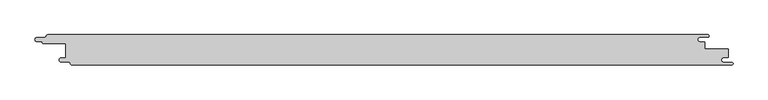
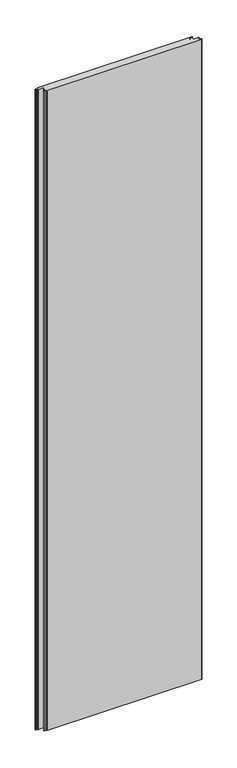
"""IFC4 building model written with IfcOpenShell, lengths in millimetres: proxy geometry."""

from ifc_helpers import new_model, si_unit, point, frame_2d, origin, origin_with_axes, place, context, project, spatial, polyline, circle_curve, trimmed, segment, composite_curve, outline, extrude, source, transform, mapped, element, save


def generic_models_7d9cd6b7(model_context):
    return source(origin(), model_context, "Body", "SweptSolid", [
        extrude(outline(composite_curve([segment(polyline([(-565.5, -13.4816509), (-557.5, -13.4816509), (-557.5, 10.03), (-594.9169737, 10.03)]), True, "CONTINUOUS"), segment(trimmed(circle_curve(frame_2d((-594.4430286, 12.2219283)), 2.2425819), [point((-594.9169737, 10.03))], [point((-596.6803567, 12.3753446))], False, "CARTESIAN"), True, "CONTINUOUS"), segment(trimmed(circle_curve(frame_2d((-597.7350122, 12.3753446)), 1.0546554), [point((-596.6803567, 12.3753446))], [point((-597.7350122, 13.43))], True, "CARTESIAN"), True, "CONTINUOUS"), segment(polyline([(-597.7350122, 13.43), (-605.5, 13.43)]), True, "CONTINUOUS"), segment(trimmed(circle_curve(frame_2d((-605.5, 16.965)), 3.535), [point((-605.5, 13.43))], [point((-605.5, 20.5))], False, "CARTESIAN"), True, "CONTINUOUS"), segment(polyline([(-605.5, 20.5), (-593.0, 20.5)]), True, "CONTINUOUS"), segment(trimmed(circle_curve(frame_2d((-593.0, 23.43)), 2.93), [point((-593.0, 20.5))], [point((-590.07, 23.43))], True, "CARTESIAN"), True, "CONTINUOUS"), segment(trimmed(circle_curve(frame_2d((-587.4645959, 22.0573077)), 2.9448964), [point((-590.07, 23.43))], [point((-587.5785115, 25.0))], False, "CARTESIAN"), True, "CONTINUOUS"), segment(polyline([(-587.5785115, 25.0), (507.417592, 25.0)]), True, "CONTINUOUS"), segment(trimmed(circle_curve(frame_2d((507.417592, 22.965)), 2.035), [point((507.417592, 25.0))], [point((507.417592, 20.93))], False, "CARTESIAN"), True, "CONTINUOUS"), segment(polyline([(507.417592, 20.93), (494.5, 20.93)]), True, "CONTINUOUS"), segment(trimmed(circle_curve(frame_2d((494.5, 17.0)), 3.93), [point((494.5, 20.93))], [point((494.5, 13.07))], True, "CARTESIAN"), True, "CONTINUOUS"), segment(polyline([(494.5, 13.07), (502.5, 13.07), (502.5, 1.0), (541.5, 1.0), (541.5, -12.4816509), (534.5, -12.4816509)]), True, "CONTINUOUS"), segment(trimmed(circle_curve(frame_2d((534.5, -16.9816509)), 4.5), [point((534.5, -12.4816509))], [point((534.5, -21.4816509))], True, "CARTESIAN"), True, "CONTINUOUS"), segment(polyline([(534.5, -21.4816509), (547.5802646, -21.4816509)]), True, "CONTINUOUS"), segment(trimmed(circle_curve(frame_2d((547.5802646, -23.2408255)), 1.7591745), [point((547.5802646, -21.4816509))], [point((547.5802646, -25.0))], False, "CARTESIAN"), True, "CONTINUOUS"), segment(polyline([(547.5802646, -25.0), (-547.9710411, -25.0)]), True, "CONTINUOUS"), segment(trimmed(circle_curve(frame_2d((-547.9710411, -22.8890983)), 2.1109017), [point((-547.9710411, -25.0))], [point((-549.9970408, -23.4817459))], False, "CARTESIAN"), True, "CONTINUOUS"), segment(trimmed(circle_curve(frame_2d((-552.9983877, -23.4817459)), 3.0013468), [point((-549.9970408, -23.4817459))], [point((-552.9983877, -20.480399))], True, "CARTESIAN"), True, "CONTINUOUS"), segment(polyline([(-552.9983877, -20.480399), (-565.5, -20.480399)]), True, "CONTINUOUS"), segment(trimmed(circle_curve(frame_2d((-565.5, -16.981025)), 3.4993741), [point((-565.5, -20.480399))], [point((-565.5, -13.4816509))], False, "CARTESIAN"), True, "CONTINUOUS")], self_intersect=False)), origin_with_axes(), (0.0, 0.0, 1.0), 4800.0),
    ])


if __name__ == "__main__":
    model = new_model("IFC4")
    model_context = context("Model", 3, world=origin())
    ifc_project = project(units=[si_unit("LENGTHUNIT", "METRE", prefix="MILLI")], contexts=[model_context])
    site = spatial("IfcSite", under=ifc_project)
    building = spatial("IfcBuilding", under=site)
    placement = place(None, origin())
    generic_models_shape = generic_models_7d9cd6b7(model_context)
    element("IfcBuildingElementProxy", 1, Name="Generic Models", at=placement, inside=building, context=model_context, shape_type="MappedRepresentation", body=[
        mapped(generic_models_shape, transform((0.0, 0.0, 0.0), x_axis=(1.0, 0.0, 0.0), y_axis=(0.0, 1.0, 0.0), z_axis=(0.0, 0.0, 1.0))),
    ])
    save(model, "model.ifc")
